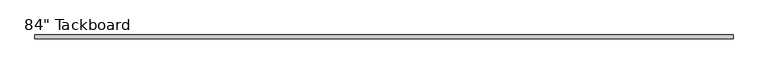
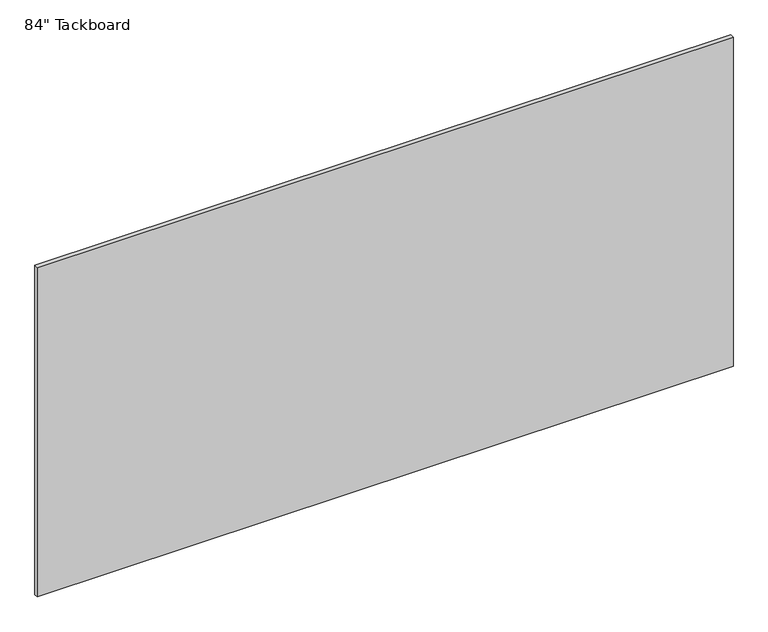
"""IFC4 building model written with IfcOpenShell, lengths in millimetres: furniture geometry."""

from ifc_helpers import new_model, si_unit, frame, origin, place, context, project, spatial, polyline, outline, extrude, source, transform, mapped, element, save


def furniture_d717da01(model_context):
    return source(origin(), model_context, "Body", "SweptSolid", [
        extrude(outline(polyline([(1231.9, 0.0), (1231.9, -11.90625), (-901.7, -11.90625), (-901.7, 0.0), (1231.9, 0.0)])), frame((0.0, 0.0, 762.0), z_axis=(0.0, 0.0, 1.0), x_axis=(1.0, 0.0, 0.0)), (0.0, 0.0, 1.0), 1066.8),
    ])


if __name__ == "__main__":
    model = new_model("IFC4")
    model_context = context("Model", 3, world=origin())
    ifc_project = project(units=[si_unit("LENGTHUNIT", "METRE", prefix="MILLI")], contexts=[model_context])
    site = spatial("IfcSite", under=ifc_project)
    building = spatial("IfcBuilding", under=site)
    placement = place(None, origin())
    furniture_shape = furniture_d717da01(model_context)
    element("IfcFurniture", 1, ObjectType="84\" Tackboard", at=placement, inside=building, context=model_context, shape_type="MappedRepresentation", body=[
        mapped(furniture_shape, transform((0.0, 0.0, 0.0), x_axis=(1.0, 0.0, 0.0), y_axis=(0.0, 1.0, 0.0), z_axis=(0.0, 0.0, 1.0))),
    ])
    save(model, "model.ifc")
